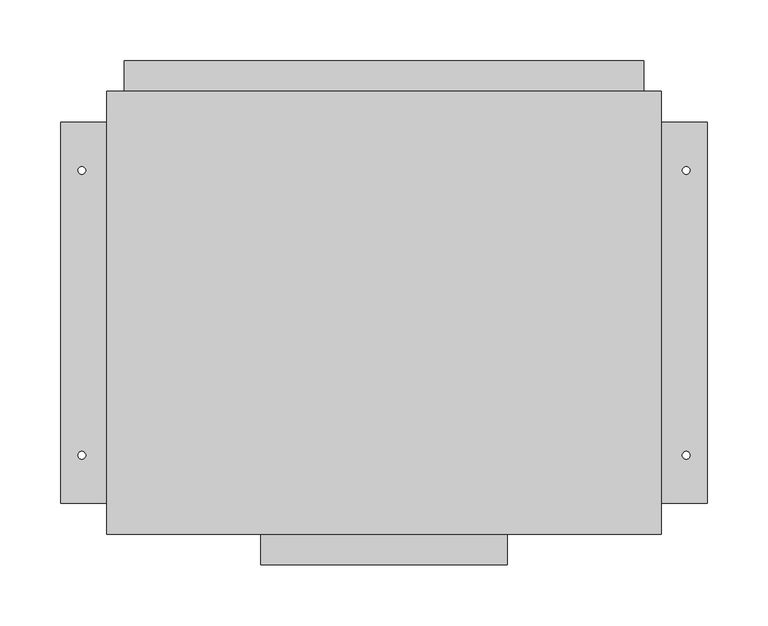
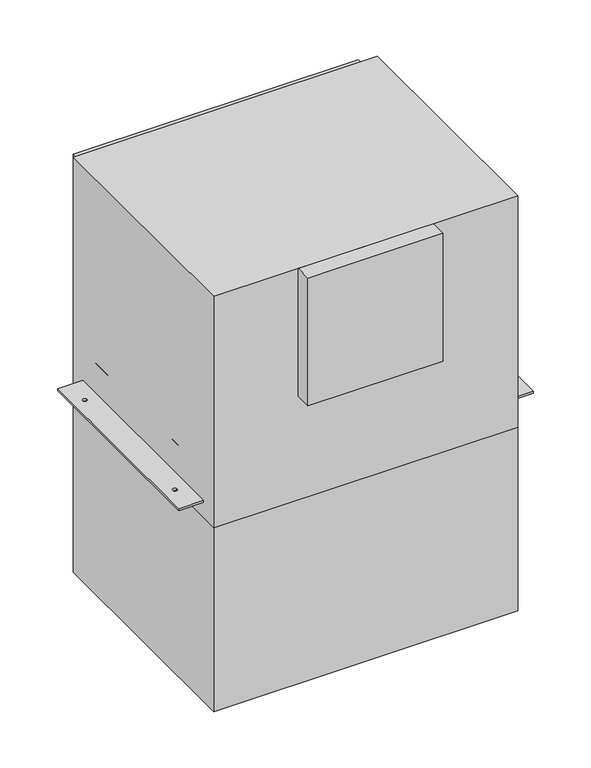
"""IFC4 building model written with IfcOpenShell, lengths in millimetres: proxy geometry."""

from ifc_helpers import new_model, si_unit, point, frame, frame_2d, origin, origin_with_axes, place, context, project, spatial, polyline, circle_curve, trimmed, segment, composite_curve, outline, extrude, source, transform, mapped, element, save


def mechanical_equipment_fb47d9bc(model_context):
    return source(origin(), model_context, "Body", "SweptSolid", [
        extrude(outline(polyline([(-214.3125, 224.7615232), (214.3125, 224.7615232), (214.3125, 199.3615232), (-214.3125, 199.3615232), (-214.3125, 224.7615232)])), frame((0.0, 0.0, 15.875), z_axis=(0.0, 0.0, 1.0), x_axis=(1.0, 0.0, 0.0)), (0.0, 0.0, 1.0), 336.55),
        extrude(outline(polyline([(228.6, 199.3615232), (228.6, -165.7634768), (-228.6, -165.7634768), (-228.6, 199.3615232), (228.6, 199.3615232)])), origin_with_axes(), (0.0, 0.0, 1.0), 368.3),
        extrude(outline(polyline([(-228.6, -140.3634768), (-266.7, -140.3634768), (-266.7, 173.9615232), (-228.6, 173.9615232), (-228.6, -140.3634768)]), holes=[composite_curve([segment(trimmed(circle_curve(frame_2d((-249.2375, 134.2740232)), 3.175), [point((-252.4125, 134.2740232))], [point((-246.0625, 134.2740232))], True, "CARTESIAN"), True, "CONTINUOUS"), segment(trimmed(circle_curve(frame_2d((-249.2375, 134.2740232)), 3.175), [point((-246.0625, 134.2740232))], [point((-252.4125, 134.2740232))], True, "CARTESIAN"), True, "CONTINUOUS")], self_intersect=False), composite_curve([segment(trimmed(circle_curve(frame_2d((-249.2375, -100.6759768)), 3.175), [point((-252.4125, -100.6759768))], [point((-246.0625, -100.6759768))], True, "CARTESIAN"), True, "CONTINUOUS"), segment(trimmed(circle_curve(frame_2d((-249.2375, -100.6759768)), 3.175), [point((-246.0625, -100.6759768))], [point((-252.4125, -100.6759768))], True, "CARTESIAN"), True, "CONTINUOUS")], self_intersect=False)]), frame((0.0, 0.0, 25.4), z_axis=(0.0, 0.0, 1.0), x_axis=(1.0, 0.0, 0.0)), (0.0, 0.0, 1.0), 3.175),
        extrude(outline(polyline([(266.7, -140.3634768), (228.6, -140.3634768), (228.6, 173.9615232), (266.7, 173.9615232), (266.7, -140.3634768)]), holes=[composite_curve([segment(trimmed(circle_curve(frame_2d((249.2375, -100.6759768)), 3.175), [point((246.0625, -100.6759768))], [point((252.4125, -100.6759768))], True, "CARTESIAN"), True, "CONTINUOUS"), segment(trimmed(circle_curve(frame_2d((249.2375, -100.6759768)), 3.175), [point((252.4125, -100.6759768))], [point((246.0625, -100.6759768))], True, "CARTESIAN"), True, "CONTINUOUS")], self_intersect=False), composite_curve([segment(trimmed(circle_curve(frame_2d((249.2375, 134.2740232)), 3.175), [point((246.0625, 134.2740232))], [point((252.4125, 134.2740232))], True, "CARTESIAN"), True, "CONTINUOUS"), segment(trimmed(circle_curve(frame_2d((249.2375, 134.2740232)), 3.175), [point((252.4125, 134.2740232))], [point((246.0625, 134.2740232))], True, "CARTESIAN"), True, "CONTINUOUS")], self_intersect=False)]), frame((0.0, 0.0, 25.4), z_axis=(0.0, 0.0, 1.0), x_axis=(1.0, 0.0, 0.0)), (0.0, 0.0, 1.0), 3.175),
        extrude(outline(polyline([(101.6, -191.1634768), (-101.6, -191.1634768), (-101.6, -165.7634768), (101.6, -165.7634768), (101.6, -191.1634768)])), frame((0.0, 0.0, 165.1), z_axis=(0.0, 0.0, 1.0), x_axis=(1.0, 0.0, 0.0)), (0.0, 0.0, 1.0), 203.2),
        extrude(outline(polyline([(228.6, 199.3615232), (228.6, -165.7634768), (-228.6, -165.7634768), (-228.6, 199.3615232), (228.6, 199.3615232)])), frame((0.0, 0.0, -292.1), z_axis=(0.0, 0.0, 1.0), x_axis=(1.0, 0.0, 0.0)), (0.0, 0.0, 1.0), 368.046),
    ])


if __name__ == "__main__":
    model = new_model("IFC4")
    model_context = context("Model", 3, world=origin())
    ifc_project = project(units=[si_unit("LENGTHUNIT", "METRE", prefix="MILLI")], contexts=[model_context])
    site = spatial("IfcSite", under=ifc_project)
    building = spatial("IfcBuilding", under=site)
    placement = place(None, origin())
    mechanical_equipment_shape = mechanical_equipment_fb47d9bc(model_context)
    element("IfcBuildingElementProxy", 1, Name="Mechanical Equipment", at=placement, inside=building, context=model_context, shape_type="MappedRepresentation", body=[
        mapped(mechanical_equipment_shape, transform((0.0, 0.0, 0.0), x_axis=(1.0, 0.0, 0.0), y_axis=(0.0, 1.0, 0.0), z_axis=(0.0, 0.0, 1.0))),
    ])
    save(model, "model.ifc")
